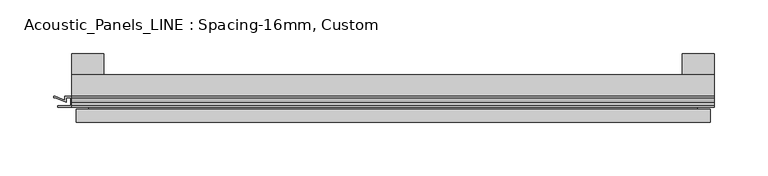
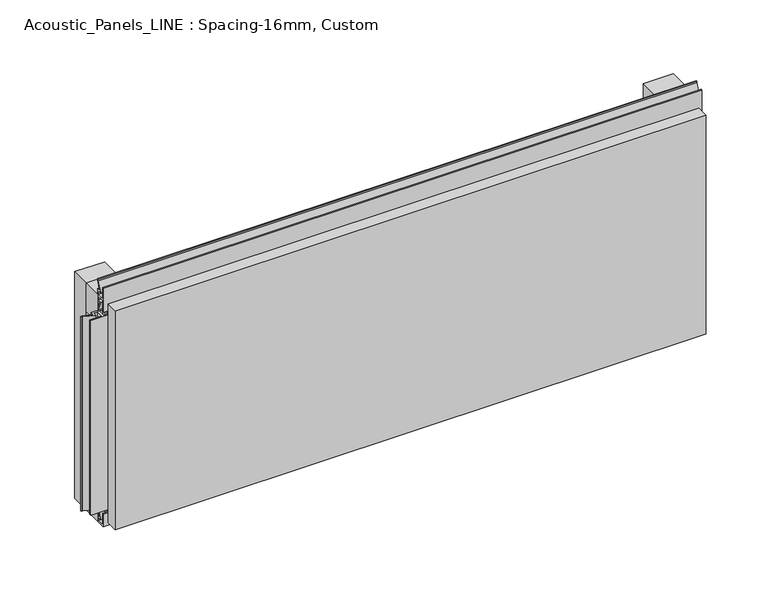
"""IFC4 building model written with IfcOpenShell, lengths in millimetres: plate geometry, Acoustic_Panels_LINE : Spacing-16mm, Custom."""

from ifc_helpers import new_model, si_unit, frame, origin, origin_with_axes, place, context, project, spatial, polyline, outline, extrude, faceted_brep, source, transform, mapped, element, save


def acoustic_panels_line_spacing_16mm_custom_2bbf78e9(model_context):
    return source(origin(), model_context, "Body", "SolidModel", [
        extrude(outline(polyline([(-300.0, -40.0), (-300.0, -20.0), (300.0, -20.0), (300.0, -40.0), (-300.0, -40.0)])), frame((0.0, 0.0, 210.0), z_axis=(0.0, 0.0, 1.0), x_axis=(1.0, 0.0, 0.0)), (0.0, 0.0, 1.0), 30.0),
        extrude(outline(polyline([(-300.0, -40.0), (-300.0, -20.0), (300.0, -20.0), (300.0, -40.0), (-300.0, -40.0)])), origin_with_axes(), (0.0, 0.0, 1.0), 30.0),
        extrude(outline(polyline([(270.0, 0.0), (300.0, 0.0), (300.0, -20.0), (270.0, -20.0), (270.0, 0.0)])), origin_with_axes(), (0.0, 0.0, 1.0), 240.0),
        extrude(outline(polyline([(-270.0, 0.0), (-270.0, -20.0), (-300.0, -20.0), (-300.0, 0.0), (-270.0, 0.0)])), origin_with_axes(), (0.0, 0.0, 1.0), 240.0),
        extrude(outline(polyline([(-40.0, 6.299084), (-40.0, 0.0), (-50.1, 0.0), (-50.1, 13.4156807), (-48.7, 13.4156807), (-48.7, 1.4156807), (-41.4, 1.4156807), (-41.4, 4.899084), (-45.5140545, 4.899084), (-41.4553267, 15.5703394), (-41.4553267, 22.991548), (-40.0553267, 22.991548), (-40.0553267, 15.3558599), (-43.5, 6.299084), (-40.0, 6.299084)])), frame((-300.0, 0.0, 0.0), z_axis=(1.0, 0.0, 0.0), x_axis=(0.0, 1.0, 0.0)), (0.0, 0.0, 1.0), 600.0),
        extrude(outline(polyline([(293.700916, -40.0), (300.0, -40.0), (300.0, -50.1), (286.5843193, -50.1), (286.5843193, -48.7), (298.5843193, -48.7), (298.5843193, -41.4), (295.100916, -41.4), (295.100916, -45.5140545), (284.4296606, -41.4553267), (277.008452, -41.4553267), (277.008452, -40.0553267), (284.6441401, -40.0553267), (293.700916, -43.5), (293.700916, -40.0)])), frame((0.0, 0.0, 16.9558599), z_axis=(0.0, 0.0, 1.0), x_axis=(1.0, 0.0, 0.0)), (0.0, 0.0, 1.0), 206.0882802),
        extrude(outline(polyline([(-300.899084, -48.7), (-300.899084, -41.4), (-304.899084, -41.4), (-304.899084, -45.5140545), (-315.5703394, -41.4553267), (-316.9558599, -41.4553267), (-316.9558599, -40.0553267), (-315.3558599, -40.0553267), (-306.299084, -43.5), (-306.299084, -40.0), (-293.700916, -40.0), (-293.700916, -43.5), (-284.6441401, -40.0553267), (-283.0441401, -40.0553267), (-283.0441401, -41.4553267), (-284.4296606, -41.4553267), (-295.100916, -45.5140545), (-295.100916, -41.4), (-299.100916, -41.4), (-299.100916, -48.7), (-287.100916, -48.7), (-287.100916, -50.1), (-312.899084, -50.1), (-312.899084, -48.7), (-300.899084, -48.7)])), frame((0.0, 0.0, 16.9558599), z_axis=(0.0, 0.0, 1.0), x_axis=(1.0, 0.0, 0.0)), (0.0, 0.0, 1.0), 206.0882802),
        extrude(outline(polyline([(-48.7, 240.899084), (-41.4, 240.899084), (-41.4, 244.899084), (-45.5140545, 244.899084), (-41.4553267, 255.5703394), (-41.4553267, 256.9558599), (-40.0553267, 256.9558599), (-40.0553267, 255.3558599), (-43.5, 246.299084), (-40.0, 246.299084), (-40.0, 233.700916), (-43.5, 233.700916), (-40.0553267, 224.6441401), (-40.0553267, 223.0441401), (-41.4553267, 223.0441401), (-41.4553267, 224.4296606), (-45.5140545, 235.100916), (-41.4, 235.100916), (-41.4, 239.100916), (-48.7, 239.100916), (-48.7, 227.100916), (-50.1, 227.100916), (-50.1, 252.899084), (-48.7, 252.899084), (-48.7, 240.899084)])), frame((-300.0, 0.0, 0.0), z_axis=(1.0, 0.0, 0.0), x_axis=(0.0, 1.0, 0.0)), (0.0, 0.0, 1.0), 600.0),
        faceted_brep([(296.0, -45.9, 236.0), (-296.0, -45.9, 236.0), (-296.0, -48.7, 236.0), (296.0, -48.7, 236.0), (-296.0, -63.9, 236.0), (296.0, -63.9, 236.0), (296.0, -51.9, 236.0), (-296.0, -51.9, 236.0), (-296.0, -45.9, 4.0), (296.0, -45.9, 4.0), (296.0, -48.7, 4.0), (-296.0, -48.7, 4.0), (296.0, -63.9, 4.0), (-296.0, -63.9, 4.0), (-296.0, -51.9, 4.0), (296.0, -51.9, 4.0), (284.0, -51.9, 224.0), (284.0, -51.9, 16.0), (284.0, -48.7, 16.0), (284.0, -48.7, 224.0), (-284.0, -51.9, 16.0), (-284.0, -48.7, 16.0), (-284.0, -51.9, 224.0), (-284.0, -48.7, 224.0)], [[[0, 1, 2, 3]], [[4, 5, 6, 7]], [[8, 9, 10, 11]], [[12, 13, 14, 15]], [[1, 0, 9, 8]], [[1, 8, 11, 2]], [[13, 4, 7, 14]], [[5, 4, 13, 12]], [[9, 0, 3, 10]], [[5, 12, 15, 6]], [[16, 17, 18, 19]], [[18, 17, 20, 21]], [[21, 20, 22, 23]], [[16, 19, 23, 22]], [[7, 6, 15, 14], [17, 16, 22, 20]], [[3, 2, 11, 10], [19, 18, 21, 23]]]),
    ])


if __name__ == "__main__":
    model = new_model("IFC4")
    model_context = context("Model", 3, world=origin())
    ifc_project = project(units=[si_unit("LENGTHUNIT", "METRE", prefix="MILLI")], contexts=[model_context])
    site = spatial("IfcSite", under=ifc_project)
    building = spatial("IfcBuilding", under=site)
    placement = place(None, origin())
    acoustic_panels_line_spacing_16mm_custom_shape = acoustic_panels_line_spacing_16mm_custom_2bbf78e9(model_context)
    element("IfcPlate", 1, ObjectType="Acoustic_Panels_LINE : Spacing-16mm, Custom", at=placement, inside=building, context=model_context, shape_type="MappedRepresentation", body=[
        mapped(acoustic_panels_line_spacing_16mm_custom_shape, transform((0.0, 0.0, 0.0), x_axis=(1.0, 0.0, 0.0), y_axis=(0.0, 1.0, 0.0), z_axis=(0.0, 0.0, 1.0))),
    ])
    save(model, "model.ifc")
